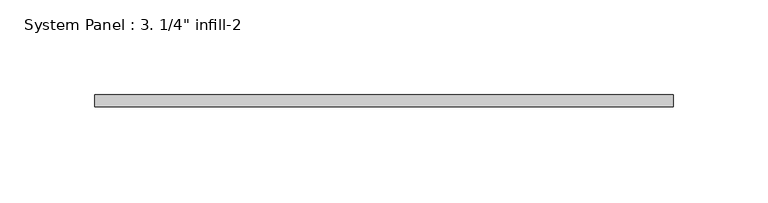
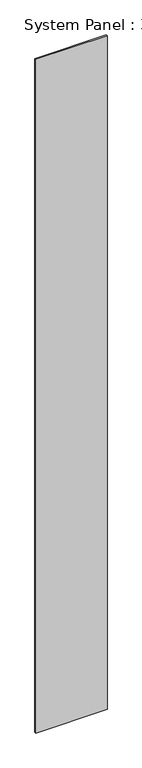
"""IFC4 building model written with IfcOpenShell, lengths in millimetres: plate geometry."""

from ifc_helpers import new_model, si_unit, origin, origin_with_axes, place, context, project, spatial, polyline, outline, extrude, source, transform, mapped, element, save


def plate_d75da9a7(model_context):
    return source(origin(), model_context, "Body", "SweptSolid", [
        extrude(outline(polyline([(152.4522416, -6.35), (-152.4522416, -6.35), (-152.4522416, 0.0), (152.4522416, 0.0), (152.4522416, -6.35)])), origin_with_axes(), (0.0, 0.0, 1.0), 3048.0),
    ])


if __name__ == "__main__":
    model = new_model("IFC4")
    model_context = context("Model", 3, world=origin())
    ifc_project = project(units=[si_unit("LENGTHUNIT", "METRE", prefix="MILLI")], contexts=[model_context])
    site = spatial("IfcSite", under=ifc_project)
    building = spatial("IfcBuilding", under=site)
    placement = place(None, origin())
    plate_shape = plate_d75da9a7(model_context)
    element("IfcPlate", 1, ObjectType="System Panel : 3. 1/4\" infill-2", at=placement, inside=building, context=model_context, shape_type="MappedRepresentation", body=[
        mapped(plate_shape, transform((0.0, 0.0, 0.0), x_axis=(1.0, 0.0, 0.0), y_axis=(0.0, 1.0, 0.0), z_axis=(0.0, 0.0, 1.0))),
    ])
    save(model, "model.ifc")
